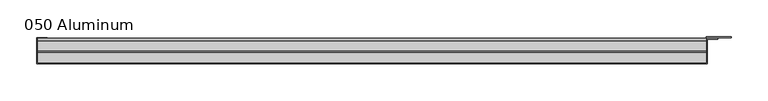
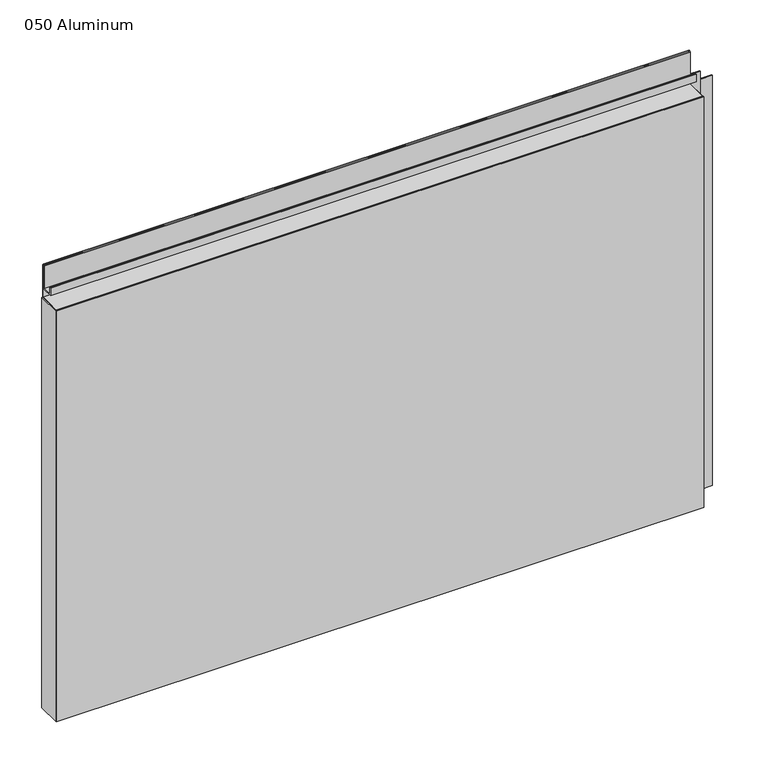
"""IFC4 building model written with IfcOpenShell, lengths in millimetres: plate geometry, 050 Aluminum."""

from ifc_helpers import new_model, si_unit, point, frame, frame_2d, origin, origin_with_axes, place, context, project, spatial, polyline, circle_curve, trimmed, segment, composite_curve, outline, extrude, source, transform, mapped, element, save


def plate_050_aluminum_0266751c(model_context):
    return source(origin(), model_context, "Body", "SweptSolid", [
        extrude(outline(polyline([(-459.1050001, -2.5660257), (-459.1050001, -34.7980001), (-460.375, -34.7980001), (-460.375, -1.2699999), (-446.2144995, -1.2699999), (-446.2144995, -2.5660257), (-459.1050001, -2.5660257)])), origin_with_axes(), (0.0, 0.0, 1.0), 608.33),
        extrude(outline(composite_curve([segment(polyline([(-16.6765477, 13.1458337), (-16.6765477, 2.786437), (-17.9464915, 2.786437), (-17.9464915, 13.1323356)]), True, "CONTINUOUS"), segment(trimmed(circle_curve(frame_2d((-19.8514743, 13.124237)), 1.905), [point((-17.9464915, 13.1323356))], [point((-21.7564743, 13.124237))], True, "CARTESIAN"), True, "CONTINUOUS"), segment(polyline([(-21.7564743, 13.124237), (-21.7564743, 0.0), (-34.7980002, 0.0), (-34.7980002, 1.2693678), (-23.0264743, 1.2693678), (-23.0264743, 13.124237)]), True, "CONTINUOUS"), segment(trimmed(circle_curve(frame_2d((-19.8514743, 13.124237)), 3.175), [point((-23.0264743, 13.124237))], [point((-16.6765477, 13.1458337))], False, "CARTESIAN"), True, "CONTINUOUS")], self_intersect=False)), frame((-459.1050001, 0.0, 0.0), z_axis=(1.0, 0.0, 0.0), x_axis=(0.0, 1.0, 0.0)), (0.0, 0.0, 1.0), 905.5100002),
        extrude(outline(composite_curve([segment(polyline([(-2.0574743, 656.7932001), (-2.0574743, 608.33), (-34.7980002, 608.33), (-34.7980002, 609.6000001), (-3.3274743, 609.6000001), (-3.3274743, 656.7932001)]), True, "CONTINUOUS"), segment(trimmed(circle_curve(frame_2d((-3.7084742, 656.7932001)), 0.3809999), [point((-3.3274743, 656.7932001))], [point((-4.0894742, 656.7932001))], True, "CARTESIAN"), True, "CONTINUOUS"), segment(polyline([(-4.0894742, 656.7932001), (-4.0894742, 622.3), (-20.4864742, 622.3), (-20.4864742, 633.6538), (-19.2164743, 633.6538), (-19.2164743, 623.57), (-5.3594742, 623.57), (-5.3594742, 656.7932001)]), True, "CONTINUOUS"), segment(trimmed(circle_curve(frame_2d((-3.7084742, 656.7932001)), 1.6509999), [point((-5.3594742, 656.7932001))], [point((-2.0574743, 656.7932001))], False, "CARTESIAN"), True, "CONTINUOUS")], self_intersect=False)), frame((-459.1050001, 0.0, 0.0), z_axis=(1.0, 0.0, 0.0), x_axis=(0.0, 1.0, 0.0)), (0.0, 0.0, 1.0), 905.5100002),
        extrude(outline(polyline([(-460.3750001, -36.068), (-460.3750001, -34.7980001), (447.6750001, -34.7980001), (447.6750001, -36.068), (-460.3750001, -36.068)])), origin_with_axes(), (0.0, 0.0, 1.0), 609.6),
        extrude(outline(polyline([(447.6750001, -1.2699999), (447.6750001, -34.7980002), (446.4050002, -34.7980002), (446.4050002, 0.0), (480.1870857, 0.0), (480.1870857, -1.2699999), (447.6750001, -1.2699999)])), origin_with_axes(), (0.0, 0.0, 1.0), 608.33),
        extrude(outline(polyline([(446.4050001, -3.3274743), (446.4050001, -2.0574743), (462.153, -2.0574743), (462.153, -3.3274743), (446.4050001, -3.3274743)])), origin_with_axes(), (0.0, 0.0, 1.0), 622.3),
    ])


if __name__ == "__main__":
    model = new_model("IFC4")
    model_context = context("Model", 3, world=origin())
    ifc_project = project(units=[si_unit("LENGTHUNIT", "METRE", prefix="MILLI")], contexts=[model_context])
    site = spatial("IfcSite", under=ifc_project)
    building = spatial("IfcBuilding", under=site)
    placement = place(None, origin())
    plate_050_aluminum_shape = plate_050_aluminum_0266751c(model_context)
    element("IfcPlate", 1, ObjectType="050 Aluminum", at=placement, inside=building, context=model_context, shape_type="MappedRepresentation", body=[
        mapped(plate_050_aluminum_shape, transform((0.0, 0.0, 0.0), x_axis=(1.0, 0.0, 0.0), y_axis=(0.0, 1.0, 0.0), z_axis=(0.0, 0.0, 1.0))),
    ])
    save(model, "model.ifc")
